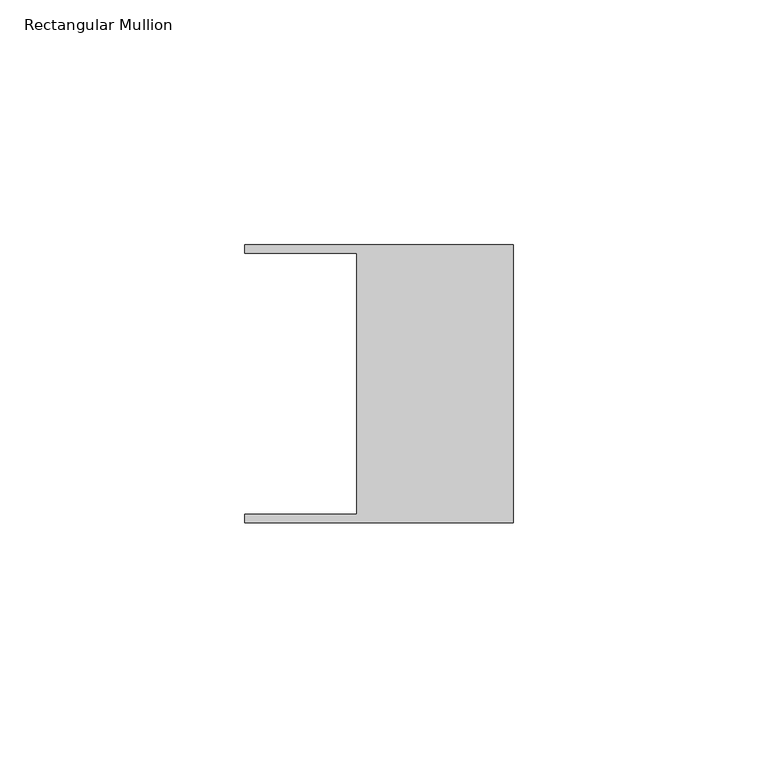
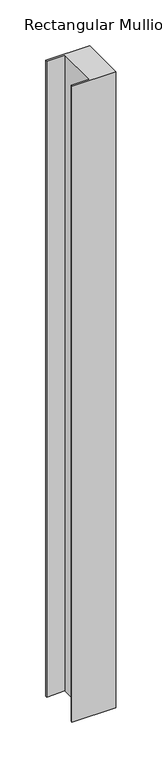
"""IFC4 building model written with IfcOpenShell, lengths in millimetres: member geometry, Rectangular Mullion."""

from ifc_helpers import new_model, si_unit, frame, origin, place, context, project, spatial, polyline, outline, extrude, source, transform, mapped, element, save


def rectangular_mullion_322b5d48(model_context):
    return source(origin(), model_context, "Body", "SweptSolid", [
        extrude(outline(polyline([(-32.004, 26.67), (-54.991, 26.67), (-54.991, 28.448), (0.0, 28.448), (0.0, -28.448), (-54.991, -28.448), (-54.991, -26.67), (-32.004, -26.67), (-32.004, 26.67)])), frame((0.0, 0.0, -846.0998171), z_axis=(0.0, 0.0, 1.0), x_axis=(1.0, 0.0, 0.0)), (0.0, 0.0, 1.0), 846.0998171),
    ])


if __name__ == "__main__":
    model = new_model("IFC4")
    model_context = context("Model", 3, world=origin())
    ifc_project = project(units=[si_unit("LENGTHUNIT", "METRE", prefix="MILLI")], contexts=[model_context])
    site = spatial("IfcSite", under=ifc_project)
    building = spatial("IfcBuilding", under=site)
    placement = place(None, origin())
    rectangular_mullion_shape = rectangular_mullion_322b5d48(model_context)
    element("IfcMember", 1, ObjectType="Rectangular Mullion", at=placement, inside=building, context=model_context, shape_type="MappedRepresentation", body=[
        mapped(rectangular_mullion_shape, transform((0.0, 0.0, 0.0), x_axis=(1.0, 0.0, 0.0), y_axis=(0.0, 1.0, 0.0), z_axis=(0.0, 0.0, 1.0))),
    ])
    save(model, "model.ifc")
